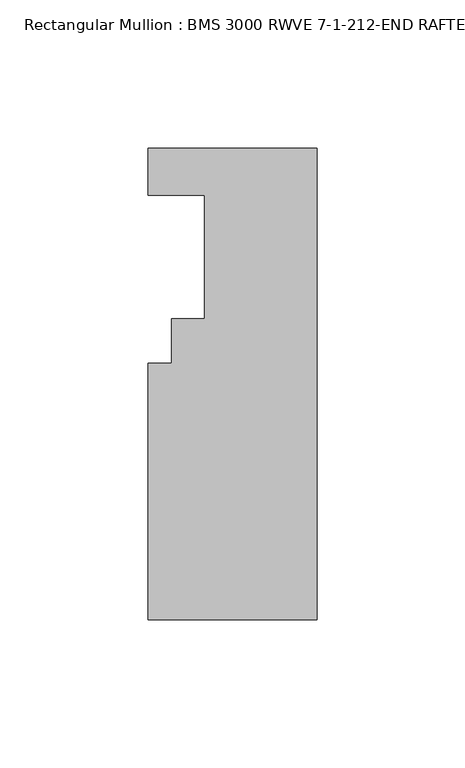
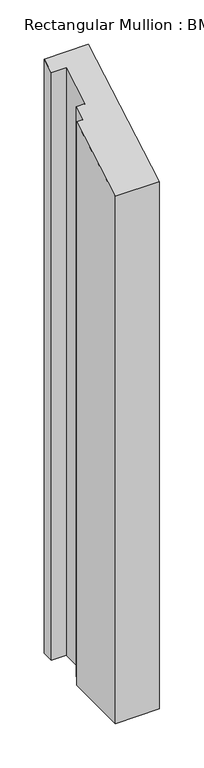
"""IFC4 building model written with IfcOpenShell, lengths in millimetres: member geometry, Rectangular Mullion : BMS 3000 RWVE 7-1-212-END RAFTER-HORIZ-MIR."""

from ifc_helpers import new_model, si_unit, origin, place, context, project, spatial, faceted_brep, source, transform, mapped, element, save


def rectangular_mullion_bms_3000_rwve_7_1_212_end_rafter_horiz_d4851bb4(model_context):
    return source(origin(), model_context, "Body", "Brep", [
        faceted_brep([(-57.15, -152.9953125, -812.8), (-57.15, -66.4575125, -812.8), (-49.2252, -66.4575125, -812.8), (-49.2252, -51.3953125, -812.8), (-38.1, -51.3953125, -812.8), (-38.1, -9.7393125, -812.8), (-57.15, -9.7393125, -812.8), (-57.15, 6.1356875, -812.8), (0.0, 6.1356875, -812.8), (0.0, -152.9953125, -812.8), (0.0, -152.9953125, -88.3318849), (-57.15, -152.9953125, -88.3318849), (0.0, 6.1356875, 3.5424408), (-57.15, 6.1356875, 3.5424408), (-57.15, -9.7393125, -5.6229947), (-38.1, -9.7393125, -5.6229947), (-38.1, -51.3953125, -29.6730975), (-49.2252, -51.3953125, -29.6730975), (-49.2252, -66.4575125, -38.3692627), (-57.15, -66.4575125, -38.3692627)], [[[0, 1, 2, 3, 4, 5, 6, 7, 8, 9]], [[10, 11, 0, 9]], [[12, 10, 9, 8]], [[13, 12, 8, 7]], [[14, 13, 7, 6]], [[15, 14, 6, 5]], [[16, 15, 5, 4]], [[17, 16, 4, 3]], [[18, 17, 3, 2]], [[19, 18, 2, 1]], [[11, 19, 1, 0]], [[11, 10, 12, 13, 14, 15, 16, 17, 18, 19]]]),
    ])


if __name__ == "__main__":
    model = new_model("IFC4")
    model_context = context("Model", 3, world=origin())
    ifc_project = project(units=[si_unit("LENGTHUNIT", "METRE", prefix="MILLI")], contexts=[model_context])
    site = spatial("IfcSite", under=ifc_project)
    building = spatial("IfcBuilding", under=site)
    placement = place(None, origin())
    rectangular_mullion_bms_3000_rwve_7_1_212_end_rafter_horiz_shape = rectangular_mullion_bms_3000_rwve_7_1_212_end_rafter_horiz_d4851bb4(model_context)
    element("IfcMember", 1, ObjectType="Rectangular Mullion : BMS 3000 RWVE 7-1-212-END RAFTER-HORIZ-MIR", at=placement, inside=building, context=model_context, shape_type="MappedRepresentation", body=[
        mapped(rectangular_mullion_bms_3000_rwve_7_1_212_end_rafter_horiz_shape, transform((0.0, 0.0, 0.0), x_axis=(1.0, 0.0, 0.0), y_axis=(0.0, 1.0, 0.0), z_axis=(0.0, 0.0, 1.0))),
    ])
    save(model, "model.ifc")
